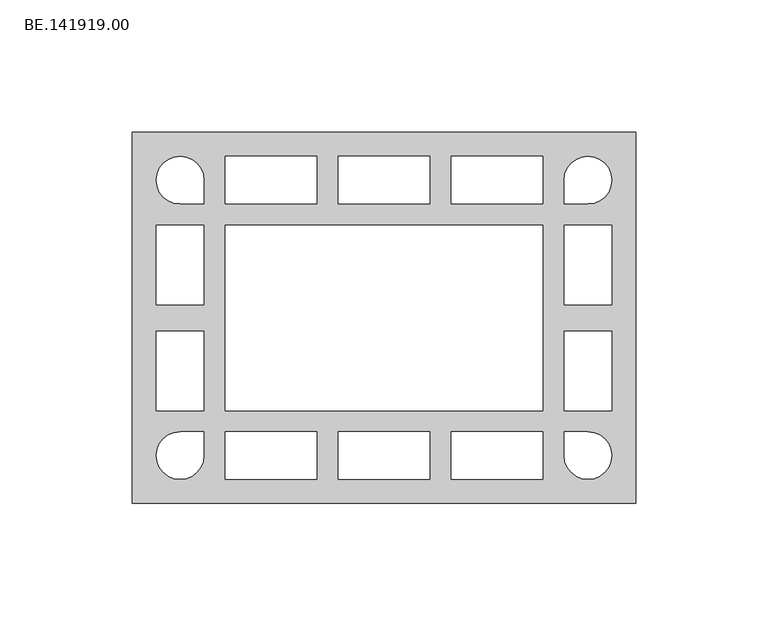
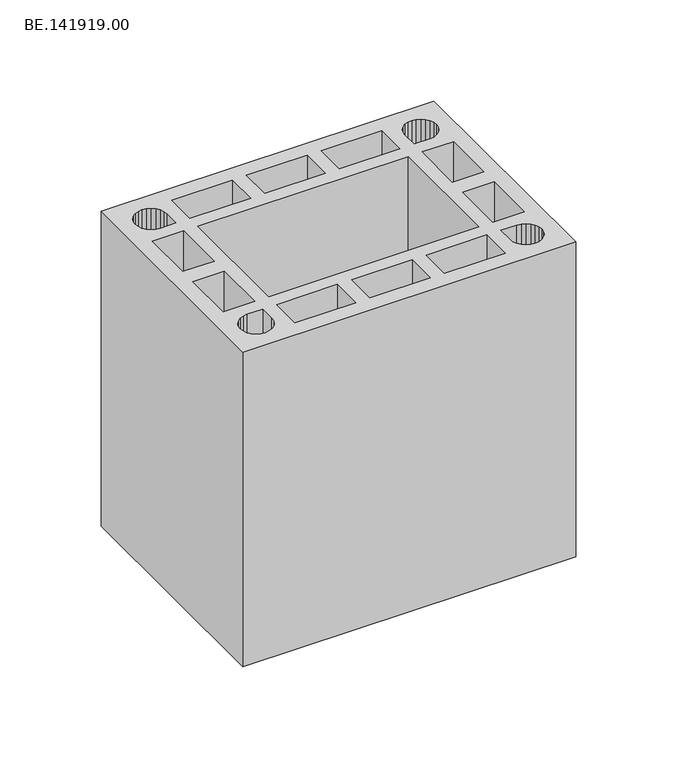
"""IFC4 building model written with IfcOpenShell, lengths in millimetres: proxy geometry, BE.141919.00."""

import ifcopenshell
import ifcopenshell.guid

model = None  # the IFC model being written
_history = None  # IfcOwnerHistory: only IFC2X3 demands one
_inside = {}  # id of a spatial element -> (the spatial element, [elements in it])
_under = {}  # id of a project, library or spatial element -> (it, [spatial elements below it])
_declared = {}  # id of a project -> (the project, [libraries it declares])
_typed = {}  # id of a type object -> (the type object, [elements of that type])
_made_of = {}  # id of a material, layer set ... -> (it, [elements and type objects made of it])


def new_model(schema):
    """Start an empty IFC model of exactly this schema.

    Asked for "IFC4X3", IfcOpenShell would pick the latest addendum, in which some entities
    have other attributes; the version numbers below select the first issue.
    IFC2X3 requires an IfcOwnerHistory on every rooted entity: one is made here for all.
    """
    global model, _history
    if schema == "IFC4X3":
        model = ifcopenshell.file(schema_version=(4, 3, 0, 0))
    else:
        model = ifcopenshell.file(schema=schema)
    _inside.clear()
    _under.clear()
    _declared.clear()
    _typed.clear()
    _made_of.clear()
    _history = None
    if model.schema == "IFC2X3":
        org = make("IfcOrganization", Name="unknown")
        user = make(
            "IfcPersonAndOrganization",
            ThePerson=make("IfcPerson", FamilyName="unknown"),
            TheOrganization=org,
        )
        app = make(
            "IfcApplication",
            ApplicationDeveloper=org,
            Version="unknown",
            ApplicationFullName="unknown",
            ApplicationIdentifier="unknown",
        )
        _history = make(
            "IfcOwnerHistory",
            OwningUser=user,
            OwningApplication=app,
            ChangeAction="ADDED",
            CreationDate=0,
        )
    return model


def make(cls, **values):
    """One entity of the class cls with the attributes given. An attribute that is None is left unset."""
    return model.create_entity(
        cls, **{name: value for name, value in values.items() if value is not None}
    )


def rooted(cls, **values):
    """An entity with a GlobalId (a new one), such as an element, a storey or a relation."""
    return make(cls, GlobalId=ifcopenshell.guid.new(), OwnerHistory=_history, **values)


def si_unit(unit_type, name, prefix=None):
    """IfcSIUnit, for example si_unit("LENGTHUNIT", "METRE", prefix="MILLI")."""
    return make("IfcSIUnit", UnitType=unit_type, Prefix=prefix, Name=name)


def assignment(units):
    """IfcUnitAssignment: the units of a project."""
    return None if units is None else make("IfcUnitAssignment", Units=units)


def point(xyz):
    """IfcCartesianPoint."""
    return None if xyz is None else make("IfcCartesianPoint", Coordinates=xyz)


def direction(xyz):
    """IfcDirection."""
    return None if xyz is None else make("IfcDirection", DirectionRatios=xyz)


def frame(location, z_axis=None, x_axis=None):
    """IfcAxis2Placement3D, a coordinate frame: its origin and axes. An axis left out is left unset."""
    return make(
        "IfcAxis2Placement3D",
        Location=point(location),
        Axis=direction(z_axis),
        RefDirection=direction(x_axis),
    )


def origin():
    """The frame at (0, 0, 0) with its axes left unset."""
    return frame((0.0, 0.0, 0.0))


def origin_with_axes():
    """The frame at (0, 0, 0) with the z axis (0, 0, 1) and the x axis (1, 0, 0) written out."""
    return frame((0.0, 0.0, 0.0), z_axis=(0.0, 0.0, 1.0), x_axis=(1.0, 0.0, 0.0))


def place(relative_to, where):
    """IfcLocalPlacement: puts the frame where relative to a parent placement (None: the world)."""
    return make(
        "IfcLocalPlacement", PlacementRelTo=relative_to, RelativePlacement=where
    )


def context(
    kind, dimensions, precision=None, world=None, true_north=None, identifier=None
):
    """IfcGeometricRepresentationContext, for example the 3D "Model" context."""
    return make(
        "IfcGeometricRepresentationContext",
        ContextIdentifier=identifier,
        ContextType=kind,
        CoordinateSpaceDimension=dimensions,
        Precision=precision,
        WorldCoordinateSystem=world,
        TrueNorth=true_north,
    )


def project(units=None, contexts=None):
    """IfcProject with its units and contexts."""
    return rooted(
        "IfcProject",
        Name="project",
        RepresentationContexts=contexts,
        UnitsInContext=assignment(units),
    )


def spatial(cls, under=None, at=None, **own):
    """A site, building, storey or space (cls), placed at a placement, below another one or the project."""
    s = rooted(cls, ObjectPlacement=at, **own)
    if under is not None:
        _under.setdefault(under.id(), (under, []))[1].append(s)
    return s


def polyline(points):
    """IfcPolyline through the points."""
    return make("IfcPolyline", Points=[point(p) for p in points])


def outline(outer, holes=None, kind="AREA"):
    """IfcArbitraryClosedProfileDef: a profile drawn as a closed curve; with holes, ...WithVoids."""
    if holes is None:
        return make("IfcArbitraryClosedProfileDef", ProfileType=kind, OuterCurve=outer)
    return make(
        "IfcArbitraryProfileDefWithVoids",
        ProfileType=kind,
        OuterCurve=outer,
        InnerCurves=holes,
    )


def extrude(swept, where, along, depth):
    """IfcExtrudedAreaSolid: the profile swept, set in the frame where, extruded along a direction by depth."""
    return make(
        "IfcExtrudedAreaSolid",
        SweptArea=swept,
        Position=where,
        ExtrudedDirection=direction(along),
        Depth=depth,
    )


def shape(context_of_items, identifier, shape_type, items):
    """IfcShapeRepresentation: the items that make up one representation, for example the "Body"."""
    return make(
        "IfcShapeRepresentation",
        ContextOfItems=context_of_items,
        RepresentationIdentifier=identifier,
        RepresentationType=shape_type,
        Items=items,
    )


def source(mapping_origin, context_of_items, identifier, shape_type, items):
    """IfcRepresentationMap: a shape defined once, which mapped items show again and again."""
    return make(
        "IfcRepresentationMap",
        MappingOrigin=mapping_origin,
        MappedRepresentation=shape(context_of_items, identifier, shape_type, items),
    )


def transform(
    local_origin,
    x_axis=None,
    y_axis=None,
    z_axis=None,
    scale=None,
    scale2=None,
    scale3=None,
    uniform=True,
):
    """IfcCartesianTransformationOperator3D, or its non-uniform kind. x_axis, y_axis, z_axis: its Axis1, 2, 3."""
    if uniform:
        return make(
            "IfcCartesianTransformationOperator3D",
            Axis1=direction(x_axis),
            Axis2=direction(y_axis),
            LocalOrigin=point(local_origin),
            Scale=scale,
            Axis3=direction(z_axis),
        )
    return make(
        "IfcCartesianTransformationOperator3DnonUniform",
        Axis1=direction(x_axis),
        Axis2=direction(y_axis),
        LocalOrigin=point(local_origin),
        Scale=scale,
        Axis3=direction(z_axis),
        Scale2=scale2,
        Scale3=scale3,
    )


def mapped(mapping_source, mapping_target):
    """IfcMappedItem: shows the shape of a source again, moved by a transform."""
    return make(
        "IfcMappedItem", MappingSource=mapping_source, MappingTarget=mapping_target
    )


def made_of(thing, what):
    """Note that an element or type object is made of a material, layer set ...; save() writes the relation."""
    if what is not None:
        _made_of.setdefault(what.id(), (what, []))[1].append(thing)
    return thing


def element(
    cls,
    number,
    at=None,
    inside=None,
    cuts=None,
    type_object=None,
    material=None,
    context=None,
    identifier="Body",
    shape_type=None,
    held_by="IfcProductDefinitionShape",
    body=None,
    shapes=None,
    **own,
):
    """One element of the class cls, such as IfcWall. Its Tag is "e" and its number.

    at: its placement. inside: the storey or other place that contains it. cuts: it is an
    opening in that element (IfcRelVoidsElement). A single representation is given by context,
    identifier, shape_type and body (its items); several are given by shapes. held_by: the class
    of the entity that holds the representations. save() writes the other relations.
    """
    e = rooted(cls, Tag="e%d" % number, ObjectPlacement=at, **own)
    if body is not None:
        shapes = [shape(context, identifier, shape_type, body)]
    if shapes is not None:
        e.Representation = make(held_by, Representations=shapes)
    if inside is not None:
        _inside.setdefault(inside.id(), (inside, []))[1].append(e)
    if cuts is not None:
        rooted(
            "IfcRelVoidsElement", RelatingBuildingElement=cuts, RelatedOpeningElement=e
        )
    if type_object is not None:
        _typed.setdefault(type_object.id(), (type_object, []))[1].append(e)
    return made_of(e, material)


def aggregate(whole, parts):
    """IfcRelAggregates: a whole, such as a stair, and the parts it consists of."""
    return rooted("IfcRelAggregates", RelatingObject=whole, RelatedObjects=parts)


def save(model, path):
    """Write the relations noted so far, then the file.

    IfcRelAggregates (storeys below a building ...), IfcRelContainedInSpatialStructure (elements
    in a storey), IfcRelDefinesByType, IfcRelAssociatesMaterial and IfcRelDeclares: one each for
    every whole, place, type object, material and project.
    """
    for whole, parts in _under.values():
        aggregate(whole, parts)
    for where, things in _inside.values():
        rooted(
            "IfcRelContainedInSpatialStructure",
            RelatedElements=things,
            RelatingStructure=where,
        )
    for kind, things in _typed.values():
        rooted("IfcRelDefinesByType", RelatedObjects=things, RelatingType=kind)
    for what, things in _made_of.values():
        rooted("IfcRelAssociatesMaterial", RelatedObjects=things, RelatingMaterial=what)
    for by, libraries in _declared.values():
        rooted("IfcRelDeclares", RelatingContext=by, RelatedDefinitions=libraries)
    model.write(path)


def be_141919_00_28dd535b(model_context):
    return source(origin(), model_context, "Body", "SweptSolid", [
        extrude(outline(polyline([(195.0, 70.0050293), (195.0, -70.0050293), (5.0, -70.0050293), (5.0, 70.0050293), (195.0, 70.0050293)]), holes=[polyline([(40.0118164, 42.9927246), (74.670166, 42.9927246), (74.670166, 60.9823242), (40.0118164, 60.9823242), (40.0118164, 42.9927246)]), polyline([(82.6696777, 42.9927246), (117.3466309, 42.9927246), (117.3466309, 60.9823242), (82.6696777, 60.9823242), (82.6696777, 42.9927246)]), polyline([(125.3461426, 42.9927246), (160.0044922, 42.9927246), (160.0044922, 60.9823242), (125.3461426, 60.9823242), (125.3461426, 42.9927246)]), polyline([(168.0040039, 42.9927246), (177.0081055, 42.9927246), (179.3335449, 43.2903809), (181.5101563, 44.1833496), (183.3705078, 45.6158203), (184.8029785, 47.4947754), (185.6959473, 49.6527832), (186.012207, 51.9782227), (185.6959473, 54.3222656), (184.8029785, 56.4802734), (183.3705078, 58.3592285), (181.5101563, 59.7730957), (179.3335449, 60.684668), (177.0081055, 60.9823242), (174.682666, 60.684668), (172.5060547, 59.7730957), (170.6457031, 58.3592285), (169.2132324, 56.4802734), (168.3016602, 54.3222656), (168.0040039, 51.9782227), (168.0040039, 42.9927246)]), polyline([(186.012207, 34.9932129), (168.0040039, 34.9932129), (168.0040039, 4.9857422), (186.012207, 4.9857422), (186.012207, 34.9932129)]), polyline([(168.0040039, -35.0118164), (186.012207, -35.0118164), (186.012207, -5.0043457), (168.0040039, -5.0043457), (168.0040039, -35.0118164)]), polyline([(177.0081055, -43.0113281), (168.0040039, -43.0113281), (168.0040039, -52.0154297), (168.3016602, -54.3408691), (169.2132324, -56.5174805), (170.6457031, -58.377832), (172.5060547, -59.8103027), (174.682666, -60.7032715), (177.0081055, -61.0195312), (179.3335449, -60.7032715), (181.5101563, -59.8103027), (183.3705078, -58.377832), (184.8029785, -56.5174805), (185.6959473, -54.3408691), (186.012207, -52.0154297), (185.6959473, -49.6899902), (184.8029785, -47.5133789), (183.3705078, -45.6530273), (181.5101563, -44.2205566), (179.3335449, -43.3275879), (177.0081055, -43.0113281)]), polyline([(160.0044922, 34.9932129), (40.0118164, 34.9932129), (40.0118164, -35.0118164), (160.0044922, -35.0118164), (160.0044922, 34.9932129)]), polyline([(40.0118164, -61.0195312), (74.670166, -61.0195312), (74.670166, -43.0113281), (40.0118164, -43.0113281), (40.0118164, -61.0195312)]), polyline([(117.3466309, -61.0195312), (117.3466309, -43.0113281), (82.6696777, -43.0113281), (82.6696777, -61.0195312), (117.3466309, -61.0195312)]), polyline([(125.3461426, -61.0195312), (160.0044922, -61.0195312), (160.0044922, -43.0113281), (125.3461426, -43.0113281), (125.3461426, -61.0195312)]), polyline([(32.0123047, -52.0154297), (32.0123047, -43.0113281), (23.0082031, -43.0113281), (20.6827637, -43.3275879), (18.5061523, -44.2205566), (16.6458008, -45.6530273), (15.2133301, -47.5133789), (14.3017578, -49.6899902), (14.0041016, -52.0154297), (14.3017578, -54.3408691), (15.2133301, -56.5174805), (16.6458008, -58.377832), (18.5061523, -59.8103027), (20.6827637, -60.7032715), (23.0082031, -61.0195312), (25.3336426, -60.7032715), (27.5102539, -59.8103027), (29.3706055, -58.377832), (30.8030762, -56.5174805), (31.6960449, -54.3408691), (32.0123047, -52.0154297)]), polyline([(23.0082031, 42.9927246), (32.0123047, 42.9927246), (32.0123047, 51.9782227), (31.6960449, 54.3222656), (30.8030762, 56.4802734), (29.3706055, 58.3592285), (27.5102539, 59.7730957), (25.3336426, 60.684668), (23.0082031, 60.9823242), (20.6827637, 60.684668), (18.5061523, 59.7730957), (16.6458008, 58.3592285), (15.2133301, 56.4802734), (14.3017578, 54.3222656), (14.0041016, 51.9782227), (14.3017578, 49.6527832), (15.2133301, 47.4947754), (16.6458008, 45.6158203), (18.5061523, 44.1833496), (20.6827637, 43.2903809), (23.0082031, 42.9927246)]), polyline([(32.0123047, 34.9932129), (14.0041016, 34.9932129), (14.0041016, 4.9857422), (32.0123047, 4.9857422), (32.0123047, 34.9932129)]), polyline([(32.0123047, -5.0043457), (14.0041016, -5.0043457), (14.0041016, -35.0118164), (32.0123047, -35.0118164), (32.0123047, -5.0043457)])]), origin_with_axes(), (0.0, 0.0, 1.0), 190.0),
    ])


if __name__ == "__main__":
    model = new_model("IFC4")
    model_context = context("Model", 3, world=origin())
    ifc_project = project(units=[si_unit("LENGTHUNIT", "METRE", prefix="MILLI")], contexts=[model_context])
    site = spatial("IfcSite", under=ifc_project)
    building = spatial("IfcBuilding", under=site)
    placement = place(None, origin())
    be_141919_00_shape = be_141919_00_28dd535b(model_context)
    element("IfcBuildingElementProxy", 1, Name="BE.141919.00", ObjectType="BE.141919.00", at=placement, inside=building, context=model_context, shape_type="MappedRepresentation", body=[
        mapped(be_141919_00_shape, transform((0.0, 0.0, 0.0), x_axis=(1.0, 0.0, 0.0), y_axis=(0.0, 1.0, 0.0), z_axis=(0.0, 0.0, 1.0))),
    ])
    save(model, "model.ifc")
